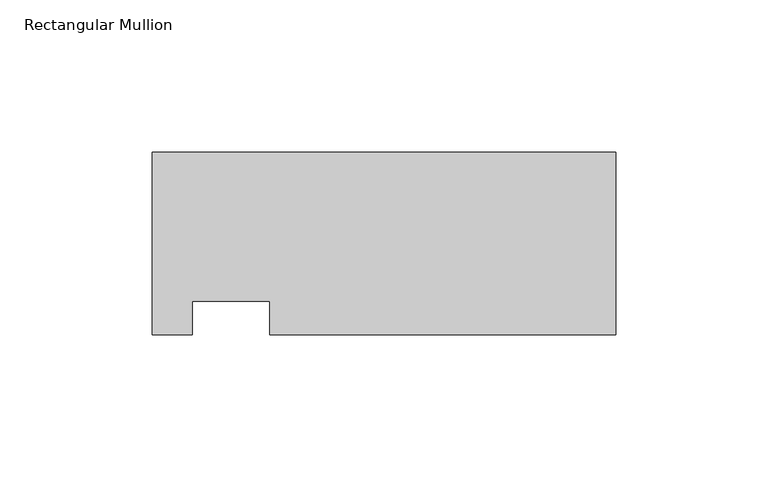
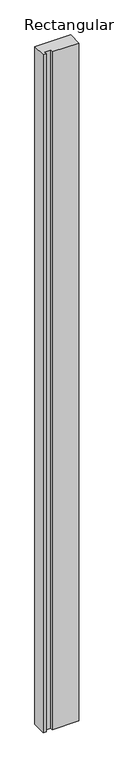
"""IFC4 building model written with IfcOpenShell, lengths in millimetres: member geometry, Rectangular Mullion."""

from ifc_helpers import new_model, si_unit, frame, origin, place, context, project, spatial, polyline, outline, extrude, source, transform, mapped, element, save


def rectangular_mullion_4050e729(model_context):
    return source(origin(), model_context, "Body", "SweptSolid", [
        extrude(outline(polyline([(-152.4, -28.5751982), (-152.4, 31.496), (0.0, 31.496), (0.0, -28.575), (-113.8076406, -28.575), (-113.8076406, -17.4625), (-139.2076406, -17.4625), (-139.2076406, -28.5751982), (-152.4, -28.5751982)])), frame((0.0, 0.0, -3048.0), z_axis=(0.0, 0.0, 1.0), x_axis=(1.0, 0.0, 0.0)), (0.0, 0.0, 1.0), 3048.0),
    ])


if __name__ == "__main__":
    model = new_model("IFC4")
    model_context = context("Model", 3, world=origin())
    ifc_project = project(units=[si_unit("LENGTHUNIT", "METRE", prefix="MILLI")], contexts=[model_context])
    site = spatial("IfcSite", under=ifc_project)
    building = spatial("IfcBuilding", under=site)
    placement = place(None, origin())
    rectangular_mullion_shape = rectangular_mullion_4050e729(model_context)
    element("IfcMember", 1, ObjectType="Rectangular Mullion", at=placement, inside=building, context=model_context, shape_type="MappedRepresentation", body=[
        mapped(rectangular_mullion_shape, transform((0.0, 0.0, 0.0), x_axis=(1.0, 0.0, 0.0), y_axis=(0.0, 1.0, 0.0), z_axis=(0.0, 0.0, 1.0))),
    ])
    save(model, "model.ifc")
